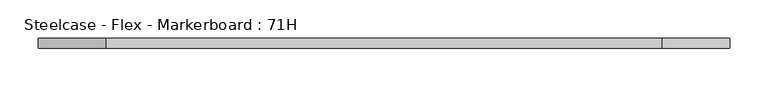
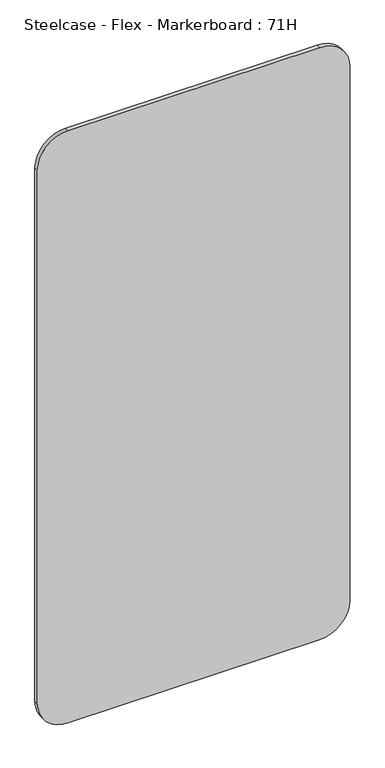
"""IFC4 building model written with IfcOpenShell, lengths in millimetres: furniture geometry, Steelcase - Flex - Markerboard : 71H."""

from ifc_helpers import new_model, si_unit, point, frame, frame_2d, origin, place, context, project, spatial, polyline, circle_curve, trimmed, segment, composite_curve, outline, extrude, source, transform, mapped, element, save


def steelcase_flex_markerboard_71h_60fde38a(model_context):
    return source(origin(), model_context, "Body", "SweptSolid", [
        extrude(outline(composite_curve([segment(polyline([(1803.4, 812.8), (1803.4, 88.9)]), True, "CONTINUOUS"), segment(trimmed(circle_curve(frame_2d((1714.5, 88.9)), 88.9), [point((1803.4, 88.9))], [point((1714.5, 0.0))], False, "CARTESIAN"), True, "CONTINUOUS"), segment(polyline([(1714.5, 0.0), (88.9, 0.0)]), True, "CONTINUOUS"), segment(trimmed(circle_curve(frame_2d((88.9, 88.9)), 88.9), [point((88.9, 0.0))], [point((0.0, 88.9))], False, "CARTESIAN"), True, "CONTINUOUS"), segment(polyline([(0.0, 88.9), (0.0, 812.8)]), True, "CONTINUOUS"), segment(trimmed(circle_curve(frame_2d((88.9, 812.8)), 88.9), [point((0.0, 812.8))], [point((88.9, 901.7))], False, "CARTESIAN"), True, "CONTINUOUS"), segment(polyline([(88.9, 901.7), (1714.5, 901.7)]), True, "CONTINUOUS"), segment(trimmed(circle_curve(frame_2d((1714.5, 812.8)), 88.9), [point((1714.5, 901.7))], [point((1803.4, 812.8))], False, "CARTESIAN"), True, "CONTINUOUS")], self_intersect=False)), frame((0.0, 0.0, 0.0), z_axis=(0.0, 1.0, 0.0), x_axis=(0.0, 0.0, 1.0)), (0.0, 0.0, 1.0), 12.6955961),
    ])


if __name__ == "__main__":
    model = new_model("IFC4")
    model_context = context("Model", 3, world=origin())
    ifc_project = project(units=[si_unit("LENGTHUNIT", "METRE", prefix="MILLI")], contexts=[model_context])
    site = spatial("IfcSite", under=ifc_project)
    building = spatial("IfcBuilding", under=site)
    placement = place(None, origin())
    steelcase_flex_markerboard_71h_shape = steelcase_flex_markerboard_71h_60fde38a(model_context)
    element("IfcFurniture", 1, ObjectType="Steelcase - Flex - Markerboard : 71H", at=placement, inside=building, context=model_context, shape_type="MappedRepresentation", body=[
        mapped(steelcase_flex_markerboard_71h_shape, transform((0.0, 0.0, 0.0), x_axis=(1.0, 0.0, 0.0), y_axis=(0.0, 1.0, 0.0), z_axis=(0.0, 0.0, 1.0))),
    ])
    save(model, "model.ifc")
